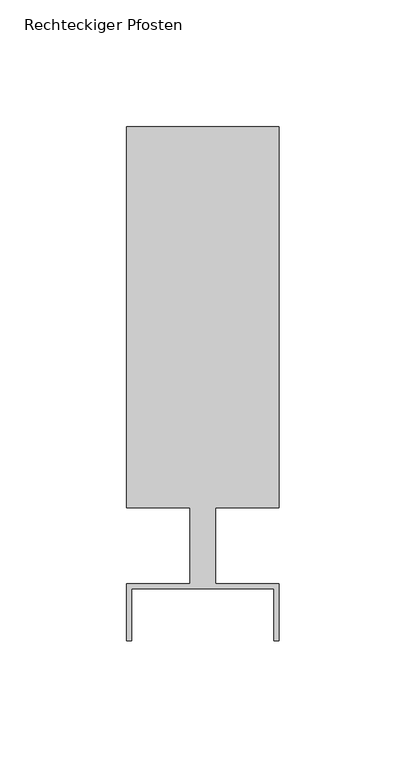
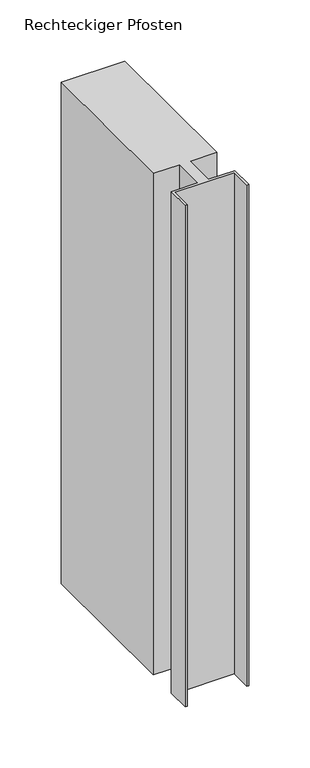
"""IFC4 building model written with IfcOpenShell, lengths in millimetres: member geometry, Rechteckiger Pfosten."""

from ifc_helpers import new_model, si_unit, frame, origin, place, context, project, spatial, polyline, outline, extrude, source, transform, mapped, element, save


def rechteckiger_pfosten_5956b4d7(model_context):
    return source(origin(), model_context, "Body", "SweptSolid", [
        extrude(outline(polyline([(-58.0, -37.5), (-60.0, -37.5), (-60.0, -15.0), (-35.0, -15.0), (-35.0, 15.0), (-60.0, 15.0), (-60.0, 165.0), (0.0, 165.0), (0.0, 15.0), (-25.0, 15.0), (-25.0, -15.0), (0.0, -15.0), (0.0, -37.5), (-2.0, -37.5), (-2.0, -17.0), (-58.0, -17.0), (-58.0, -37.5)])), frame((0.0, 0.0, -500.0), z_axis=(0.0, 0.0, 1.0), x_axis=(1.0, 0.0, 0.0)), (0.0, 0.0, 1.0), 500.0),
    ])


if __name__ == "__main__":
    model = new_model("IFC4")
    model_context = context("Model", 3, world=origin())
    ifc_project = project(units=[si_unit("LENGTHUNIT", "METRE", prefix="MILLI")], contexts=[model_context])
    site = spatial("IfcSite", under=ifc_project)
    building = spatial("IfcBuilding", under=site)
    placement = place(None, origin())
    rechteckiger_pfosten_shape = rechteckiger_pfosten_5956b4d7(model_context)
    element("IfcMember", 1, ObjectType="Rechteckiger Pfosten", at=placement, inside=building, context=model_context, shape_type="MappedRepresentation", body=[
        mapped(rechteckiger_pfosten_shape, transform((0.0, 0.0, 0.0), x_axis=(1.0, 0.0, 0.0), y_axis=(0.0, 1.0, 0.0), z_axis=(0.0, 0.0, 1.0))),
    ])
    save(model, "model.ifc")
